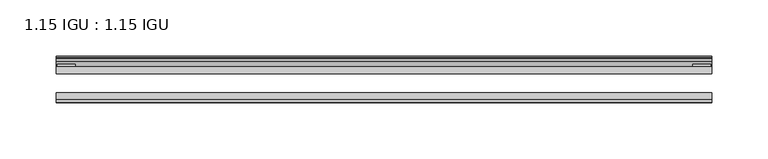
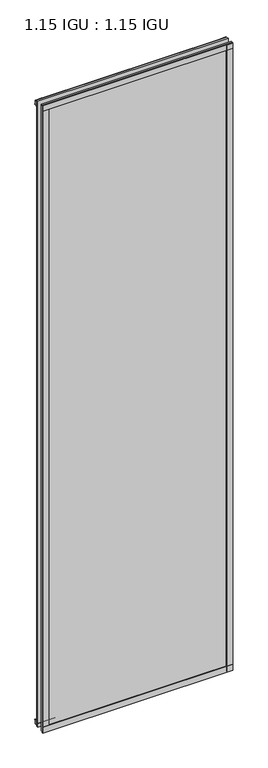
"""IFC4 building model written with IfcOpenShell, lengths in millimetres: plate geometry, 1.15 IGU : 1.15 IGU."""

from ifc_helpers import new_model, si_unit, point, frame, frame_2d, origin, place, context, project, spatial, polyline, circle_curve, trimmed, segment, composite_curve, outline, extrude, source, transform, mapped, element, save


def plate_1_15_igu_1_15_igu_73db8e59(model_context):
    return source(origin(), model_context, "Body", "SweptSolid", [
        extrude(outline(polyline([(292.1, 0.0), (292.1, -6.2992), (-292.1, -6.2992), (-292.1, 0.0), (292.1, 0.0)])), frame((0.0, 0.0, -15.875), z_axis=(0.0, 0.0, 1.0), x_axis=(1.0, 0.0, 0.0)), (0.0, 0.0, 1.0), 2033.5830337),
        extrude(outline(polyline([(-292.1, -23.1648), (292.1, -23.1648), (292.1, -29.464), (-292.1, -29.464), (-292.1, -23.1648)])), frame((0.0, 0.0, -15.875), z_axis=(0.0, 0.0, 1.0), x_axis=(1.0, 0.0, 0.0)), (0.0, 0.0, 1.0), 2033.5830337),
        extrude(outline(polyline([(-292.1, -31.75), (-292.1, -29.464), (292.1, -29.464), (292.1, -31.75), (-292.1, -31.75)])), frame((0.0, 0.0, -19.05), z_axis=(0.0, 0.0, 1.0), x_axis=(1.0, 0.0, 0.0)), (0.0, 0.0, 1.0), 19.05),
        extrude(outline(composite_curve([segment(trimmed(circle_curve(frame_2d((13.6593785, 32.4202472)), 31.3046461), [point((0.0, 4.2528503))], [point((9.3980339, 1.406995))], True, "CARTESIAN"), True, "CONTINUOUS"), segment(polyline([(9.3980339, 1.406995), (9.3980339, 0.0254), (6.35, 0.0254), (6.35, -5.1625788), (7.7309478, -5.3970663), (6.35, -8.0073788), (6.35, -11.8471127)]), True, "CONTINUOUS"), segment(trimmed(circle_curve(frame_2d((5.334, -11.8471127)), 1.016), [point((6.35, -11.8471127))], [point((4.6284878, -12.5782136))], False, "CARTESIAN"), True, "CONTINUOUS"), segment(trimmed(circle_curve(frame_2d((-23.3689302, -41.5910901)), 40.3187601), [point((4.6284878, -12.5782136))], [point((0.0, -8.735413))], True, "CARTESIAN"), True, "CONTINUOUS"), segment(polyline([(0.0, -8.735413), (0.0, 4.2528503)]), True, "CONTINUOUS")], self_intersect=False)), frame((-292.1, 0.0, 0.0), z_axis=(1.0, 0.0, 0.0), x_axis=(0.0, 1.0, 0.0)), (0.0, 0.0, 1.0), 584.2),
        extrude(outline(composite_curve([segment(trimmed(circle_curve(frame_2d((-23.3689302, 2041.8747237)), 40.3187601), [point((0.0, 2009.0190467))], [point((4.9746073, 2013.1998864))], True, "CARTESIAN"), True, "CONTINUOUS"), segment(trimmed(circle_curve(frame_2d((5.8674, 2012.2966582)), 1.27), [point((4.9746073, 2013.1998864))], [point((7.1374, 2012.2966582))], False, "CARTESIAN"), True, "CONTINUOUS"), segment(polyline([(7.1374, 2012.2966582), (7.1374, 2007.8958505), (7.7309478, 2005.6806999), (6.35, 2005.4462125), (6.35, 2000.2582337), (9.3980339, 2000.2582337), (9.3980339, 1998.8766387)]), True, "CONTINUOUS"), segment(trimmed(circle_curve(frame_2d((13.6593785, 1967.8633864)), 31.3046461), [point((9.3980339, 1998.8766387))], [point((0.0, 1996.0307834))], True, "CARTESIAN"), True, "CONTINUOUS"), segment(polyline([(0.0, 1996.0307834), (0.0, 2009.0190467)]), True, "CONTINUOUS")], self_intersect=False)), frame((-292.1, 0.0, 0.0), z_axis=(1.0, 0.0, 0.0), x_axis=(0.0, 1.0, 0.0)), (0.0, 0.0, 1.0), 584.2),
        extrude(outline(polyline([(-292.1, -31.75), (-292.1, -29.464), (292.1, -29.464), (292.1, -31.75), (-292.1, -31.75)])), frame((0.0, 0.0, 2000.2582337), z_axis=(0.0, 0.0, 1.0), x_axis=(1.0, 0.0, 0.0)), (0.0, 0.0, 1.0), 19.05),
        extrude(outline(polyline([(273.05, -29.464), (292.1, -29.464), (292.1, -31.75), (273.05, -31.75), (273.05, -29.464)])), frame((0.0, 0.0, -15.875), z_axis=(0.0, 0.0, 1.0), x_axis=(1.0, 0.0, 0.0)), (0.0, 0.0, 1.0), 2033.5830337),
        extrude(outline(polyline([(290.8935, 2.2860088), (290.8935, 0.0021347), (275.0185, 0.0021347), (275.0185, 2.2860088), (290.8935, 2.2860088)])), frame((0.0, 0.0, -15.875), z_axis=(0.0, 0.0, 1.0), x_axis=(1.0, 0.0, 0.0)), (0.0, 0.0, 1.0), 2033.5830337),
        extrude(outline(polyline([(-292.1, -31.75), (-292.1, -29.464), (-273.05, -29.464), (-273.05, -31.75), (-292.1, -31.75)])), frame((0.0, 0.0, -15.875), z_axis=(0.0, 0.0, 1.0), x_axis=(1.0, 0.0, 0.0)), (0.0, 0.0, 1.0), 2033.5830337),
        extrude(outline(polyline([(-290.8935, 0.0), (-290.8935, 2.286), (-275.0185, 2.286), (-275.0185, 0.0), (-290.8935, 0.0)])), frame((0.0, 0.0, -15.875), z_axis=(0.0, 0.0, 1.0), x_axis=(1.0, 0.0, 0.0)), (0.0, 0.0, 1.0), 2033.5830337),
    ])


if __name__ == "__main__":
    model = new_model("IFC4")
    model_context = context("Model", 3, world=origin())
    ifc_project = project(units=[si_unit("LENGTHUNIT", "METRE", prefix="MILLI")], contexts=[model_context])
    site = spatial("IfcSite", under=ifc_project)
    building = spatial("IfcBuilding", under=site)
    placement = place(None, origin())
    plate_1_15_igu_1_15_igu_shape = plate_1_15_igu_1_15_igu_73db8e59(model_context)
    element("IfcPlate", 1, ObjectType="1.15 IGU : 1.15 IGU", at=placement, inside=building, context=model_context, shape_type="MappedRepresentation", body=[
        mapped(plate_1_15_igu_1_15_igu_shape, transform((0.0, 0.0, 0.0), x_axis=(1.0, 0.0, 0.0), y_axis=(0.0, 1.0, 0.0), z_axis=(0.0, 0.0, 1.0))),
    ])
    save(model, "model.ifc")
